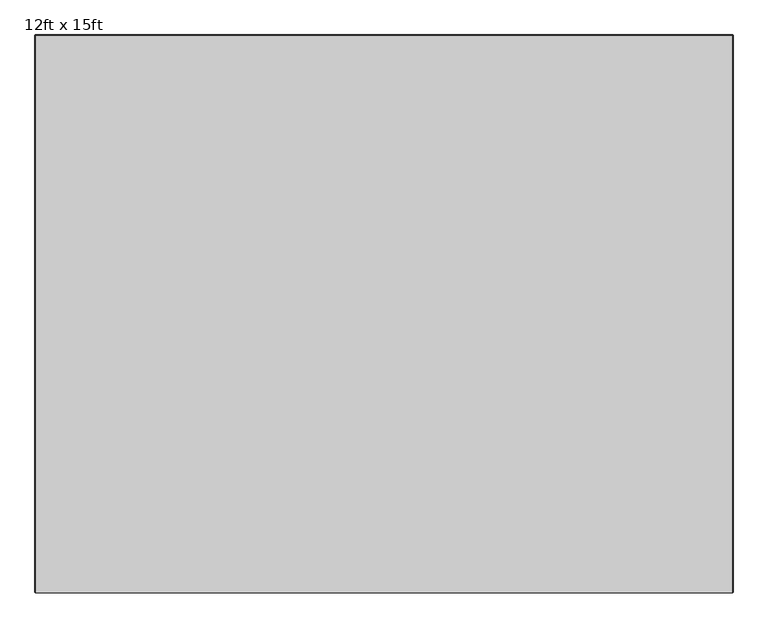
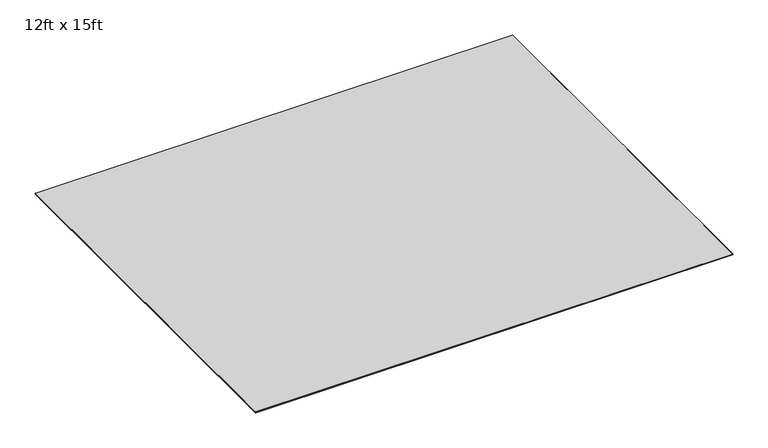
"""IFC4 building model written with IfcOpenShell, lengths in millimetres: furniture geometry, 12ft x 15ft."""

from ifc_helpers import new_model, si_unit, frame, origin, place, context, project, spatial, polyline, circle_curve, source, transform, mapped, element, save
from ifc_brep_helpers import plane_surface, cylinder_surface, revolved_surface, advanced_brep


def furniture_12ft_x_15ft_dc13abf8(model_context):
    return source(origin(), model_context, "Body", "AdvancedBrep", [
        advanced_brep(
        [(-663.9665124, 796.3794681, 4.4450002), (-658.8809829, 801.4649977, 4.4450002), (-658.8809829, 801.4649977, 0.0), (-663.9665124, 796.3794681, 0.0), (-661.4265124, 796.3794681, 6.9850002), (-658.8809829, 798.9249977, 6.9850002), (-663.9665124, -2851.0550023, 0.0), (-663.9665124, -2851.0550023, 4.4450002), (-661.4265124, -2851.0550023, 6.9850002), (-658.8865124, -2856.1350023, 0.0), (-658.8865124, -2856.1350023, 4.4450002), (-658.8865124, -2853.5950023, 6.9850002), (3902.9533713, -2856.1350023, 0.0), (3902.9533713, -2856.1350023, 4.4450002), (3902.9533713, -2853.5950023, 6.9850002), (3908.0333713, -2851.0550023, 0.0), (3908.0333713, -2851.0550023, 4.4450002), (3905.4933713, -2851.0550023, 6.9850002), (3908.0333713, 796.3849977, 0.0), (3908.0333713, 796.3849977, 4.4450002), (3905.4933713, 796.3849977, 6.9850002), (3902.9533713, 801.4649977, 0.0), (3902.9533713, 801.4649977, 4.4450002), (3902.9533713, 798.9249977, 6.9850002)],
        [
            (0, 1, circle_curve(frame((-658.8809829, 796.3794681, 4.4450002), z_axis=(0.0, 0.0, -1.0), x_axis=(0.0, 1.0, 0.0)), 5.0855296)),
            (1, 2),
            (2, 3, circle_curve(frame((-658.8809829, 796.3794681, 0.0), z_axis=(0.0, 0.0, 1.0), x_axis=(0.0, 1.0, 0.0)), 5.0855296)),
            (3, 0),
            (0, 4),
            (4, 5, circle_curve(frame((-658.8809829, 796.3794681, 6.9850002), z_axis=(0.0, 0.0, -1.0), x_axis=(0.0, 1.0, 0.0)), 2.5455296)),
            (5, 1),
            (3, 6),
            (6, 7),
            (7, 0),
            (7, 8),
            (8, 4),
            (6, 9, circle_curve(frame((-658.8865124, -2851.0550023, 0.0), z_axis=(0.0, 0.0, 1.0), x_axis=(-1.0, 0.0, 0.0)), 5.08)),
            (9, 10),
            (10, 7, circle_curve(frame((-658.8865124, -2851.0550023, 4.4450002), z_axis=(0.0, 0.0, -1.0), x_axis=(-1.0, 0.0, 0.0)), 5.08)),
            (10, 11),
            (11, 8, circle_curve(frame((-658.8865124, -2851.0550023, 6.9850002), z_axis=(0.0, 0.0, -1.0), x_axis=(-1.0, 0.0, 0.0)), 2.54)),
            (9, 12),
            (12, 13),
            (13, 10),
            (13, 14),
            (14, 11),
            (12, 15, circle_curve(frame((3902.9533713, -2851.0550023, 0.0), z_axis=(0.0, 0.0, 1.0), x_axis=(0.0, -1.0, 0.0)), 5.08)),
            (15, 16),
            (16, 13, circle_curve(frame((3902.9533713, -2851.0550023, 4.4450002), z_axis=(0.0, 0.0, -1.0), x_axis=(0.0, -1.0, 0.0)), 5.08)),
            (16, 17),
            (17, 14, circle_curve(frame((3902.9533713, -2851.0550023, 6.9850002), z_axis=(0.0, 0.0, -1.0), x_axis=(0.0, -1.0, 0.0)), 2.54)),
            (15, 18),
            (18, 19),
            (19, 16),
            (19, 20),
            (20, 17),
            (18, 21, circle_curve(frame((3902.9533713, 796.3849977, 0.0), z_axis=(0.0, 0.0, 1.0), x_axis=(1.0, 0.0, 0.0)), 5.08)),
            (21, 22),
            (22, 19, circle_curve(frame((3902.9533713, 796.3849977, 4.4450002), z_axis=(0.0, 0.0, -1.0), x_axis=(1.0, 0.0, 0.0)), 5.08)),
            (22, 23),
            (23, 20, circle_curve(frame((3902.9533713, 796.3849977, 6.9850002), z_axis=(0.0, 0.0, -1.0), x_axis=(1.0, 0.0, 0.0)), 2.54)),
            (2, 21),
            (1, 22),
            (5, 23),
        ],
        [
            cylinder_surface(frame((-658.8809829, 796.3794681, 0.0), z_axis=(0.0, 0.0, 1.0), x_axis=(0.0, 1.0, 0.0)), 5.0855296),
            revolved_surface(polyline([(-658.8809829, 801.4649977, 4.4450002), (-658.8809829, 798.9249977, 6.9850002)]), (-658.8809829, 796.3794681, 0.0), (0.0, 0.0, 1.0)),
            plane_surface(frame((-663.9665124, 796.3794681, 0.0), z_axis=(-1.0, 0.0, 0.0), x_axis=(0.0, -1.0, 0.0))),
            plane_surface(frame((-663.9665124, 796.3794681, 4.4450002), z_axis=(-0.7071067811865469, 0.0, 0.7071067811865482), x_axis=(0.0, -1.0, 0.0))),
            cylinder_surface(frame((-658.8865124, -2851.0550023, 0.0), z_axis=(0.0, 0.0, 1.0), x_axis=(-1.0, 0.0, 0.0)), 5.08),
            revolved_surface(polyline([(-663.9665124, -2851.0550023, 4.4450002), (-661.4265124, -2851.0550023, 6.9850002)]), (-658.8865124, -2851.0550023, 0.0), (0.0, 0.0, 1.0)),
            plane_surface(frame((-658.8865124, -2856.1350023, 0.0), z_axis=(0.0, -1.0, 0.0), x_axis=(1.0, 0.0, 0.0))),
            plane_surface(frame((-658.8865124, -2856.1350023, 4.4450002), z_axis=(0.0, -0.7071067811865469, 0.7071067811865482), x_axis=(1.0, 0.0, 0.0))),
            cylinder_surface(frame((3902.9533713, -2851.0550023, 0.0), z_axis=(0.0, 0.0, 1.0), x_axis=(0.0, -1.0, 0.0)), 5.08),
            revolved_surface(polyline([(3902.9533713, -2856.1350023, 4.4450002), (3902.9533713, -2853.5950023, 6.9850002)]), (3902.9533713, -2851.0550023, 0.0), (0.0, 0.0, 1.0)),
            plane_surface(frame((3908.0333713, -2851.0550023, 0.0), z_axis=(1.0, 0.0, 0.0), x_axis=(0.0, 1.0, 0.0))),
            plane_surface(frame((3908.0333713, -2851.0550023, 4.4450002), z_axis=(0.7071067811865469, 0.0, 0.7071067811865482), x_axis=(0.0, 1.0, 0.0))),
            cylinder_surface(frame((3902.9533713, 796.3849977, 0.0), z_axis=(0.0, 0.0, 1.0), x_axis=(1.0, 0.0, 0.0)), 5.08),
            revolved_surface(polyline([(3908.0333713, 796.3849977, 4.4450002), (3905.4933713, 796.3849977, 6.9850002)]), (3902.9533713, 796.3849977, 0.0), (0.0, 0.0, 1.0)),
            plane_surface(frame((3902.9533713, 798.9249977, 0.0), z_axis=(0.0, 0.0, -1.0), x_axis=(-1.0, 0.0, 0.0))),
            plane_surface(frame((3902.9533713, 801.4649977, 0.0), z_axis=(0.0, 1.0, 0.0), x_axis=(-1.0, 0.0, 0.0))),
            plane_surface(frame((3902.9533713, 801.4649977, 4.4450002), z_axis=(0.0, 0.7071067811865469, 0.7071067811865482), x_axis=(-1.0, 0.0, 0.0))),
            plane_surface(frame((-658.8809829, 798.9249977, 6.9850002), z_axis=(0.0, 0.0, 1.0), x_axis=(-1.0, 0.0, 0.0))),
        ],
        [
            (0, [[1, 2, 3, 4]]),
            (1, [[-1, 5, 6, 7]]),
            (2, [[-4, 8, 9, 10]]),
            (3, [[-5, -10, 11, 12]]),
            (4, [[-9, 13, 14, 15]]),
            (5, [[-11, -15, 16, 17]]),
            (6, [[-14, 18, 19, 20]]),
            (7, [[-16, -20, 21, 22]]),
            (8, [[-19, 23, 24, 25]]),
            (9, [[-21, -25, 26, 27]]),
            (10, [[-24, 28, 29, 30]]),
            (11, [[-26, -30, 31, 32]]),
            (12, [[-29, 33, 34, 35]]),
            (13, [[-31, -35, 36, 37]]),
            (14, [[-3, 38, -33, -28, -23, -18, -13, -8]]),
            (15, [[-2, 39, -34, -38]]),
            (16, [[-7, 40, -36, -39]]),
            (17, [[-6, -12, -17, -22, -27, -32, -37, -40]]),
        ],
    ),
    ])


if __name__ == "__main__":
    model = new_model("IFC4")
    model_context = context("Model", 3, world=origin())
    ifc_project = project(units=[si_unit("LENGTHUNIT", "METRE", prefix="MILLI")], contexts=[model_context])
    site = spatial("IfcSite", under=ifc_project)
    building = spatial("IfcBuilding", under=site)
    placement = place(None, origin())
    furniture_12ft_x_15ft_shape = furniture_12ft_x_15ft_dc13abf8(model_context)
    element("IfcFurniture", 1, ObjectType="12ft x 15ft", at=placement, inside=building, context=model_context, shape_type="MappedRepresentation", body=[
        mapped(furniture_12ft_x_15ft_shape, transform((0.0, 0.0, 0.0), x_axis=(1.0, 0.0, 0.0), y_axis=(0.0, 1.0, 0.0), z_axis=(0.0, 0.0, 1.0))),
    ])
    save(model, "model.ifc")
